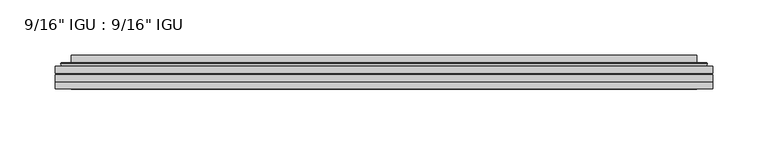
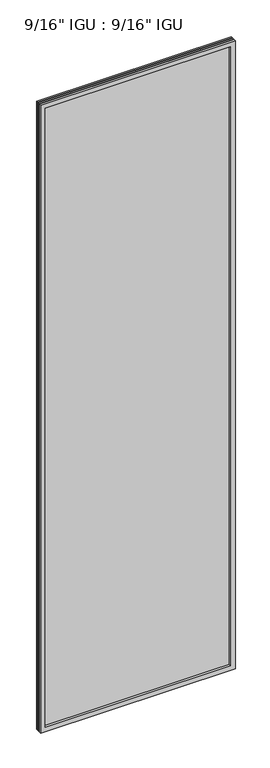
"""IFC4 building model written with IfcOpenShell, lengths in millimetres: plate geometry."""

import ifcopenshell
import ifcopenshell.guid

model = None  # the IFC model being written
_history = None  # IfcOwnerHistory: only IFC2X3 demands one
_inside = {}  # id of a spatial element -> (the spatial element, [elements in it])
_under = {}  # id of a project, library or spatial element -> (it, [spatial elements below it])
_declared = {}  # id of a project -> (the project, [libraries it declares])
_typed = {}  # id of a type object -> (the type object, [elements of that type])
_made_of = {}  # id of a material, layer set ... -> (it, [elements and type objects made of it])


def new_model(schema):
    """Start an empty IFC model of exactly this schema.

    Asked for "IFC4X3", IfcOpenShell would pick the latest addendum, in which some entities
    have other attributes; the version numbers below select the first issue.
    IFC2X3 requires an IfcOwnerHistory on every rooted entity: one is made here for all.
    """
    global model, _history
    if schema == "IFC4X3":
        model = ifcopenshell.file(schema_version=(4, 3, 0, 0))
    else:
        model = ifcopenshell.file(schema=schema)
    _inside.clear()
    _under.clear()
    _declared.clear()
    _typed.clear()
    _made_of.clear()
    _history = None
    if model.schema == "IFC2X3":
        org = make("IfcOrganization", Name="unknown")
        user = make(
            "IfcPersonAndOrganization",
            ThePerson=make("IfcPerson", FamilyName="unknown"),
            TheOrganization=org,
        )
        app = make(
            "IfcApplication",
            ApplicationDeveloper=org,
            Version="unknown",
            ApplicationFullName="unknown",
            ApplicationIdentifier="unknown",
        )
        _history = make(
            "IfcOwnerHistory",
            OwningUser=user,
            OwningApplication=app,
            ChangeAction="ADDED",
            CreationDate=0,
        )
    return model


def make(cls, **values):
    """One entity of the class cls with the attributes given. An attribute that is None is left unset."""
    return model.create_entity(
        cls, **{name: value for name, value in values.items() if value is not None}
    )


def rooted(cls, **values):
    """An entity with a GlobalId (a new one), such as an element, a storey or a relation."""
    return make(cls, GlobalId=ifcopenshell.guid.new(), OwnerHistory=_history, **values)


def si_unit(unit_type, name, prefix=None):
    """IfcSIUnit, for example si_unit("LENGTHUNIT", "METRE", prefix="MILLI")."""
    return make("IfcSIUnit", UnitType=unit_type, Prefix=prefix, Name=name)


def assignment(units):
    """IfcUnitAssignment: the units of a project."""
    return None if units is None else make("IfcUnitAssignment", Units=units)


def point(xyz):
    """IfcCartesianPoint."""
    return None if xyz is None else make("IfcCartesianPoint", Coordinates=xyz)


def direction(xyz):
    """IfcDirection."""
    return None if xyz is None else make("IfcDirection", DirectionRatios=xyz)


def frame(location, z_axis=None, x_axis=None):
    """IfcAxis2Placement3D, a coordinate frame: its origin and axes. An axis left out is left unset."""
    return make(
        "IfcAxis2Placement3D",
        Location=point(location),
        Axis=direction(z_axis),
        RefDirection=direction(x_axis),
    )


def origin():
    """The frame at (0, 0, 0) with its axes left unset."""
    return frame((0.0, 0.0, 0.0))


def place(relative_to, where):
    """IfcLocalPlacement: puts the frame where relative to a parent placement (None: the world)."""
    return make(
        "IfcLocalPlacement", PlacementRelTo=relative_to, RelativePlacement=where
    )


def context(
    kind, dimensions, precision=None, world=None, true_north=None, identifier=None
):
    """IfcGeometricRepresentationContext, for example the 3D "Model" context."""
    return make(
        "IfcGeometricRepresentationContext",
        ContextIdentifier=identifier,
        ContextType=kind,
        CoordinateSpaceDimension=dimensions,
        Precision=precision,
        WorldCoordinateSystem=world,
        TrueNorth=true_north,
    )


def project(units=None, contexts=None):
    """IfcProject with its units and contexts."""
    return rooted(
        "IfcProject",
        Name="project",
        RepresentationContexts=contexts,
        UnitsInContext=assignment(units),
    )


def spatial(cls, under=None, at=None, **own):
    """A site, building, storey or space (cls), placed at a placement, below another one or the project."""
    s = rooted(cls, ObjectPlacement=at, **own)
    if under is not None:
        _under.setdefault(under.id(), (under, []))[1].append(s)
    return s


def polyline(points):
    """IfcPolyline through the points."""
    return make("IfcPolyline", Points=[point(p) for p in points])


def ellipse_curve(where, semi_axis1, semi_axis2):
    """IfcEllipse in the frame where."""
    return make(
        "IfcEllipse", Position=where, SemiAxis1=semi_axis1, SemiAxis2=semi_axis2
    )


def outline(outer, holes=None, kind="AREA"):
    """IfcArbitraryClosedProfileDef: a profile drawn as a closed curve; with holes, ...WithVoids."""
    if holes is None:
        return make("IfcArbitraryClosedProfileDef", ProfileType=kind, OuterCurve=outer)
    return make(
        "IfcArbitraryProfileDefWithVoids",
        ProfileType=kind,
        OuterCurve=outer,
        InnerCurves=holes,
    )


def extrude(swept, where, along, depth):
    """IfcExtrudedAreaSolid: the profile swept, set in the frame where, extruded along a direction by depth."""
    return make(
        "IfcExtrudedAreaSolid",
        SweptArea=swept,
        Position=where,
        ExtrudedDirection=direction(along),
        Depth=depth,
    )


def faces_of(points, faces, orient=None, outer=None):
    """IfcFace entities. A face is a list of loops; a loop is a list of indices into points, from 0.

    orient and outer hold one flag for each loop. By default every Orientation is true, the
    first loop of a face is its IfcFaceOuterBound and the others are IfcFaceBound.
    """
    made = []
    for i, loops in enumerate(faces):
        bounds = []
        for j, loop in enumerate(loops):
            is_outer = j == 0 if outer is None else outer[i][j]
            bounds.append(
                make(
                    "IfcFaceOuterBound" if is_outer else "IfcFaceBound",
                    Bound=make("IfcPolyLoop", Polygon=[points[k] for k in loop]),
                    Orientation=True if orient is None else orient[i][j],
                )
            )
        made.append(make("IfcFace", Bounds=bounds))
    return made


def faceted_brep(points, faces, orient=None, outer=None, voids=None):
    """IfcFacetedBrep: a solid bounded by flat faces; with voids (closed shells), ...WithVoids."""
    shared = [point(p) for p in points]
    hull = make("IfcClosedShell", CfsFaces=faces_of(shared, faces, orient, outer))
    if voids is None:
        return make("IfcFacetedBrep", Outer=hull)
    return make(
        "IfcFacetedBrepWithVoids",
        Outer=hull,
        Voids=[
            make(cls, CfsFaces=faces_of(shared, fs, o, b)) for cls, fs, o, b in voids
        ],
    )


def shape(context_of_items, identifier, shape_type, items):
    """IfcShapeRepresentation: the items that make up one representation, for example the "Body"."""
    return make(
        "IfcShapeRepresentation",
        ContextOfItems=context_of_items,
        RepresentationIdentifier=identifier,
        RepresentationType=shape_type,
        Items=items,
    )


def source(mapping_origin, context_of_items, identifier, shape_type, items):
    """IfcRepresentationMap: a shape defined once, which mapped items show again and again."""
    return make(
        "IfcRepresentationMap",
        MappingOrigin=mapping_origin,
        MappedRepresentation=shape(context_of_items, identifier, shape_type, items),
    )


def transform(
    local_origin,
    x_axis=None,
    y_axis=None,
    z_axis=None,
    scale=None,
    scale2=None,
    scale3=None,
    uniform=True,
):
    """IfcCartesianTransformationOperator3D, or its non-uniform kind. x_axis, y_axis, z_axis: its Axis1, 2, 3."""
    if uniform:
        return make(
            "IfcCartesianTransformationOperator3D",
            Axis1=direction(x_axis),
            Axis2=direction(y_axis),
            LocalOrigin=point(local_origin),
            Scale=scale,
            Axis3=direction(z_axis),
        )
    return make(
        "IfcCartesianTransformationOperator3DnonUniform",
        Axis1=direction(x_axis),
        Axis2=direction(y_axis),
        LocalOrigin=point(local_origin),
        Scale=scale,
        Axis3=direction(z_axis),
        Scale2=scale2,
        Scale3=scale3,
    )


def mapped(mapping_source, mapping_target):
    """IfcMappedItem: shows the shape of a source again, moved by a transform."""
    return make(
        "IfcMappedItem", MappingSource=mapping_source, MappingTarget=mapping_target
    )


def made_of(thing, what):
    """Note that an element or type object is made of a material, layer set ...; save() writes the relation."""
    if what is not None:
        _made_of.setdefault(what.id(), (what, []))[1].append(thing)
    return thing


def element(
    cls,
    number,
    at=None,
    inside=None,
    cuts=None,
    type_object=None,
    material=None,
    context=None,
    identifier="Body",
    shape_type=None,
    held_by="IfcProductDefinitionShape",
    body=None,
    shapes=None,
    **own,
):
    """One element of the class cls, such as IfcWall. Its Tag is "e" and its number.

    at: its placement. inside: the storey or other place that contains it. cuts: it is an
    opening in that element (IfcRelVoidsElement). A single representation is given by context,
    identifier, shape_type and body (its items); several are given by shapes. held_by: the class
    of the entity that holds the representations. save() writes the other relations.
    """
    e = rooted(cls, Tag="e%d" % number, ObjectPlacement=at, **own)
    if body is not None:
        shapes = [shape(context, identifier, shape_type, body)]
    if shapes is not None:
        e.Representation = make(held_by, Representations=shapes)
    if inside is not None:
        _inside.setdefault(inside.id(), (inside, []))[1].append(e)
    if cuts is not None:
        rooted(
            "IfcRelVoidsElement", RelatingBuildingElement=cuts, RelatedOpeningElement=e
        )
    if type_object is not None:
        _typed.setdefault(type_object.id(), (type_object, []))[1].append(e)
    return made_of(e, material)


def aggregate(whole, parts):
    """IfcRelAggregates: a whole, such as a stair, and the parts it consists of."""
    return rooted("IfcRelAggregates", RelatingObject=whole, RelatedObjects=parts)


def save(model, path):
    """Write the relations noted so far, then the file.

    IfcRelAggregates (storeys below a building ...), IfcRelContainedInSpatialStructure (elements
    in a storey), IfcRelDefinesByType, IfcRelAssociatesMaterial and IfcRelDeclares: one each for
    every whole, place, type object, material and project.
    """
    for whole, parts in _under.values():
        aggregate(whole, parts)
    for where, things in _inside.values():
        rooted(
            "IfcRelContainedInSpatialStructure",
            RelatedElements=things,
            RelatingStructure=where,
        )
    for kind, things in _typed.values():
        rooted("IfcRelDefinesByType", RelatedObjects=things, RelatingType=kind)
    for what, things in _made_of.values():
        rooted("IfcRelAssociatesMaterial", RelatedObjects=things, RelatingMaterial=what)
    for by, libraries in _declared.values():
        rooted("IfcRelDeclares", RelatingContext=by, RelatedDefinitions=libraries)
    model.write(path)


def plane_surface(at):
    """IfcPlane: the flat surface through the origin of the frame at, square to its z axis."""
    return make("IfcPlane", Position=at)


def cylinder_surface(at, radius):
    """IfcCylindricalSurface: all points at the distance radius from the z axis of the frame at."""
    return make("IfcCylindricalSurface", Position=at, Radius=radius)


def advanced_brep(points, edges, surfaces, faces):
    """IfcAdvancedBrep: a solid bounded by faces that lie on surfaces and meet in shared edges.

    An edge is (start, end): straight between two places in points (the first is 0);
    or (start, end, curve); or (start, end, curve, False) where it runs against its curve.
    A face is (place in surfaces, loops), or (place, loops, False) where it looks against
    its surface's normal. A loop lists edges by number (the first is 1), with a minus sign
    where the edge is run from its end to its start. The first loop is the outer one.
    """
    corners = [point(p) for p in points]
    vertices = [make("IfcVertexPoint", VertexGeometry=c) for c in corners]
    made = []
    for start, end, *more in edges:
        made.append(
            make(
                "IfcEdgeCurve",
                EdgeStart=vertices[start],
                EdgeEnd=vertices[end],
                EdgeGeometry=more[0] if more else make("IfcPolyline", Points=[corners[start], corners[end]]),
                SameSense=more[1] if len(more) > 1 else True,
            )
        )
    hull = []
    for where, loops, *sense in faces:
        bounds = []
        for j, loop in enumerate(loops):
            ring = [make("IfcOrientedEdge", EdgeElement=made[abs(k) - 1], Orientation=k > 0) for k in loop]
            bounds.append(
                make(
                    "IfcFaceOuterBound" if j == 0 else "IfcFaceBound",
                    Bound=make("IfcEdgeLoop", EdgeList=ring),
                    Orientation=True,
                )
            )
        hull.append(make("IfcAdvancedFace", Bounds=bounds, FaceSurface=surfaces[where], SameSense=sense[0] if sense else True))
    return make("IfcAdvancedBrep", Outer=make("IfcClosedShell", CfsFaces=hull))


def plate_449217f2(model_context):
    return source(origin(), model_context, "Body", "SolidModel", [
        extrude(outline(polyline([(296.8980814, -54.78145), (296.8980814, -61.1317818), (-296.8839064, -61.1317818), (-296.8839064, -54.78145), (296.8980814, -54.78145)])), frame((0.0, 0.0, -14.2875), z_axis=(0.0, 0.0, 1.0), x_axis=(1.0, 0.0, 0.0)), (0.0, 0.0, 1.0), 2022.4787979),
        extrude(outline(polyline([(-296.8839064, -69.05625), (-296.8839064, -62.705745), (296.8980814, -62.705745), (296.8980814, -69.05625), (-296.8839064, -69.05625)])), frame((0.0, 0.0, -14.2875), z_axis=(0.0, 0.0, 1.0), x_axis=(1.0, 0.0, 0.0)), (0.0, 0.0, 1.0), 2022.4787979),
        faceted_brep([(-296.8966064, -75.40625, 2008.2002), (-296.8966064, -69.05625, 2008.2002), (-296.8966064, -69.05625, -14.3002), (-296.8966064, -75.40625, -14.3002), (296.8966064, -69.05625, -14.3002), (296.8966064, -75.40625, -14.3002), (296.8966064, -69.05625, 2008.2002), (296.8966064, -75.40625, 2008.2002), (-281.6986623, -69.05625, 0.8977441), (281.6986623, -69.05625, 0.8977441), (281.6986623, -69.05625, 1993.0022559), (-281.6986623, -69.05625, 1993.0022559), (-282.5910966, -75.40625, 1993.8946902), (282.5910966, -75.40625, 1993.8946902), (282.5910966, -75.40625, 0.0053098), (-282.5910966, -75.40625, 0.0053098)], [[[0, 1, 2, 3]], [[3, 2, 4, 5]], [[5, 4, 6, 7]], [[1, 6, 4, 2], [8, 9, 10, 11]], [[7, 6, 1, 0]], [[3, 5, 7, 0], [12, 13, 14, 15]], [[11, 12, 15, 8]], [[8, 15, 14, 9]], [[9, 14, 13, 10]], [[10, 13, 12, 11]]]),
        advanced_brep(
        [(-289.6426255, -54.78145, 2000.946219), (-291.9968308, -52.7917833, 2003.3004244), (-291.9968308, -52.7917833, -9.4004244), (-289.6426255, -54.78145, -7.046219), (-280.5683003, -50.941413, 1991.8718939), (-275.6334685, -54.78145, 1986.9370621), (-275.6334685, -54.78145, 6.9629379), (-280.5683003, -50.941413, 2.0281061), (-281.6003281, -45.5441819, 1992.9039217), (-281.6003281, -45.5441819, 0.9960783), (-282.5909849, -45.1452069, 1993.8945784), (-282.5909849, -45.1452069, 0.0054216), (-282.5909849, -51.60645, 1993.8945784), (-282.5909849, -51.60645, 0.0054216), (-290.9950413, -51.60645, 2002.2986349), (-290.9950413, -51.60645, -8.3986349), (291.9968308, -52.7917833, -9.4004244), (289.6426255, -54.78145, -7.046219), (275.6334685, -54.78145, 6.9629379), (280.5683003, -50.941413, 2.0281061), (281.6003281, -45.5441819, 0.9960783), (282.5909849, -45.1452069, 0.0054216), (282.5909849, -51.60645, 0.0054216), (290.9950413, -51.60645, -8.3986349), (291.9968308, -52.7917833, 2003.3004244), (289.6426255, -54.78145, 2000.946219), (275.6334685, -54.78145, 1986.9370621), (280.5683003, -50.941413, 1991.8718939), (281.6003281, -45.5441819, 1992.9039217), (282.5909849, -45.1452069, 1993.8945784), (282.5909849, -51.60645, 1993.8945784), (290.9950413, -51.60645, 2002.2986349)],
        [
            (0, 1, ellipse_curve(frame((-289.6426255, -52.39385, 2000.946219), z_axis=(-0.7071067811865475, 0.0, -0.7071067811865475), x_axis=(-0.7071067811865474, 0.0, 0.7071067811865476)), 3.3765763, 2.3876)),
            (1, 2),
            (2, 3, ellipse_curve(frame((-289.6426255, -52.39385, -7.046219), z_axis=(-0.7071067811865475, 0.0, 0.7071067811865475), x_axis=(0.7071067811865474, 0.0, 0.7071067811865476)), 3.3765763, 2.3876)),
            (3, 0),
            (4, 5),
            (5, 6),
            (6, 7),
            (7, 4),
            (8, 4),
            (7, 9),
            (9, 8),
            (10, 8, ellipse_curve(frame((-282.2240283, -45.6634423, 1993.5276219), z_axis=(-0.7071067811865475, 0.0, -0.7071067811865475), x_axis=(-0.7071067811865474, 0.0, 0.7071067811865476)), 0.8980256, 0.635)),
            (9, 11, ellipse_curve(frame((-282.2240283, -45.6634423, 0.3723781), z_axis=(-0.7071067811865475, 0.0, 0.7071067811865475), x_axis=(0.7071067811865474, 0.0, 0.7071067811865476)), 0.8980256, 0.635)),
            (11, 10),
            (12, 10),
            (11, 13),
            (13, 12),
            (1, 14, ellipse_curve(frame((-290.9950413, -52.62245, 2002.2986349), z_axis=(-0.7071067811865475, 0.0, -0.7071067811865475), x_axis=(-0.7071067811865474, 0.0, 0.7071067811865476)), 1.436841, 1.016)),
            (14, 15),
            (15, 2, ellipse_curve(frame((-290.9950413, -52.62245, -8.3986349), z_axis=(-0.7071067811865475, 0.0, 0.7071067811865475), x_axis=(0.7071067811865474, 0.0, 0.7071067811865476)), 1.436841, 1.016)),
            (2, 16),
            (16, 17, ellipse_curve(frame((289.6426255, -52.39385, -7.046219), z_axis=(-0.7071067811865475, 0.0, -0.7071067811865475), x_axis=(-0.7071067811865476, 0.0, 0.7071067811865474)), 3.3765763, 2.3876)),
            (17, 3),
            (6, 18),
            (18, 19),
            (19, 7),
            (19, 20),
            (20, 9),
            (20, 21, ellipse_curve(frame((282.2240283, -45.6634423, 0.3723781), z_axis=(-0.7071067811865475, 0.0, -0.7071067811865475), x_axis=(-0.7071067811865476, 0.0, 0.7071067811865474)), 0.8980256, 0.635)),
            (21, 11),
            (21, 22),
            (22, 13),
            (15, 23),
            (23, 16, ellipse_curve(frame((290.9950413, -52.62245, -8.3986349), z_axis=(-0.7071067811865475, 0.0, -0.7071067811865475), x_axis=(-0.7071067811865476, 0.0, 0.7071067811865474)), 1.436841, 1.016)),
            (16, 24),
            (24, 25, ellipse_curve(frame((289.6426255, -52.39385, 2000.946219), z_axis=(0.7071067811865475, 0.0, -0.7071067811865475), x_axis=(-0.7071067811865474, 0.0, -0.7071067811865476)), 3.3765763, 2.3876)),
            (25, 17),
            (18, 26),
            (26, 27),
            (27, 19),
            (27, 28),
            (28, 20),
            (28, 29, ellipse_curve(frame((282.2240283, -45.6634423, 1993.5276219), z_axis=(0.7071067811865475, 0.0, -0.7071067811865475), x_axis=(-0.7071067811865474, 0.0, -0.7071067811865476)), 0.8980256, 0.635)),
            (29, 21),
            (29, 30),
            (30, 22),
            (23, 31),
            (31, 24, ellipse_curve(frame((290.9950413, -52.62245, 2002.2986349), z_axis=(0.7071067811865475, 0.0, -0.7071067811865475), x_axis=(-0.7071067811865474, 0.0, -0.7071067811865476)), 1.436841, 1.016)),
            (24, 1),
            (0, 25),
            (5, 26),
            (4, 27),
            (8, 28),
            (10, 29),
            (12, 30),
            (14, 31),
        ],
        [
            cylinder_surface(frame((-289.6426255, -52.39385, 2025.65), z_axis=(0.0, 0.0, 1.0), x_axis=(-1.0, 0.0, 0.0)), 2.3876),
            plane_surface(frame((-275.6334685, -54.78145, 1986.9370621), z_axis=(0.6141233906514794, 0.7892100234124821, 0.0), x_axis=(0.0, 0.0, -1.0))),
            plane_surface(frame((-280.5683003, -50.941413, 1991.8718939), z_axis=(0.9822050625507728, 0.18781164793386088, 0.0), x_axis=(0.0, 0.0, -1.0))),
            cylinder_surface(frame((-282.2240283, -45.6634423, 2025.65), z_axis=(0.0, 0.0, 1.0), x_axis=(-1.0, 0.0, 0.0)), 0.635),
            plane_surface(frame((-282.5909849, -45.1452069, 1993.8945784), z_axis=(-1.0, 0.0, 0.0), x_axis=(0.0, 0.0, -1.0))),
            cylinder_surface(frame((-290.9950413, -52.62245, 2025.65), z_axis=(0.0, 0.0, 1.0), x_axis=(-1.0, 0.0, 0.0)), 1.016),
            cylinder_surface(frame((-314.3464064, -52.39385, -7.046219), z_axis=(-1.0, 0.0, 0.0), x_axis=(0.0, 0.0, -1.0)), 2.3876),
            plane_surface(frame((-275.6334685, -54.78145, 6.9629379), z_axis=(0.0, 0.7892100234124841, 0.6141233906514768), x_axis=(1.0, 0.0, 0.0))),
            plane_surface(frame((-280.5683003, -50.941413, 2.0281061), z_axis=(0.0, 0.18781164793386404, 0.9822050625507722), x_axis=(1.0, 0.0, 0.0))),
            cylinder_surface(frame((-314.3464064, -45.6634423, 0.3723781), z_axis=(-1.0, 0.0, 0.0), x_axis=(0.0, 0.0, -1.0)), 0.635),
            plane_surface(frame((-282.5909849, -45.1452069, 0.0054216), z_axis=(0.0, 0.0, -1.0), x_axis=(1.0, 0.0, 0.0))),
            cylinder_surface(frame((-314.3464064, -52.62245, -8.3986349), z_axis=(-1.0, 0.0, 0.0), x_axis=(0.0, 0.0, -1.0)), 1.016),
            cylinder_surface(frame((289.6426255, -52.39385, -31.75), z_axis=(0.0, 0.0, -1.0), x_axis=(1.0, 0.0, 0.0)), 2.3876),
            plane_surface(frame((275.6334685, -54.78145, 6.9629379), z_axis=(-0.6141233906514743, 0.7892100234124861, 0.0), x_axis=(0.0, 0.0, 1.0))),
            plane_surface(frame((280.5683003, -50.941413, 2.0281061), z_axis=(-0.9822050625507717, 0.1878116479338672, 0.0), x_axis=(0.0, 0.0, 1.0))),
            cylinder_surface(frame((282.2240283, -45.6634423, -31.75), z_axis=(0.0, 0.0, -1.0), x_axis=(1.0, 0.0, 0.0)), 0.635),
            plane_surface(frame((282.5909849, -45.1452069, 0.0054216), z_axis=(1.0, 0.0, 0.0), x_axis=(0.0, 0.0, 1.0))),
            cylinder_surface(frame((290.9950413, -52.62245, -31.75), z_axis=(0.0, 0.0, -1.0), x_axis=(1.0, 0.0, 0.0)), 1.016),
            cylinder_surface(frame((314.3464064, -52.39385, 2000.946219), z_axis=(1.0, 0.0, 0.0), x_axis=(0.0, 0.0, 1.0)), 2.3876),
            plane_surface(frame((289.6426255, -54.78145, 2000.946219), z_axis=(0.0, -1.0, 0.0), x_axis=(-1.0, 0.0, 0.0))),
            plane_surface(frame((275.6334685, -54.78145, 1986.9370621), z_axis=(0.0, 0.7892100234124841, -0.6141233906514768), x_axis=(-1.0, 0.0, 0.0))),
            plane_surface(frame((280.5683003, -50.941413, 1991.8718939), z_axis=(0.0, 0.18781164793386404, -0.9822050625507722), x_axis=(-1.0, 0.0, 0.0))),
            cylinder_surface(frame((314.3464064, -45.6634423, 1993.5276219), z_axis=(1.0, 0.0, 0.0), x_axis=(0.0, 0.0, 1.0)), 0.635),
            plane_surface(frame((282.5909849, -45.1452069, 1993.8945784), z_axis=(0.0, 0.0, 1.0), x_axis=(-1.0, 0.0, 0.0))),
            plane_surface(frame((282.5909849, -51.60645, 1993.8945784), z_axis=(0.0, 1.0, 0.0), x_axis=(-1.0, 0.0, 0.0))),
            cylinder_surface(frame((314.3464064, -52.62245, 2002.2986349), z_axis=(1.0, 0.0, 0.0), x_axis=(0.0, 0.0, 1.0)), 1.016),
        ],
        [
            (0, [[1, 2, 3, 4]]),
            (1, [[5, 6, 7, 8]]),
            (2, [[9, -8, 10, 11]]),
            (3, [[12, -11, 13, 14]]),
            (4, [[15, -14, 16, 17]]),
            (5, [[18, 19, 20, -2]]),
            (6, [[-3, 21, 22, 23]]),
            (7, [[-7, 24, 25, 26]]),
            (8, [[-10, -26, 27, 28]]),
            (9, [[-13, -28, 29, 30]]),
            (10, [[-16, -30, 31, 32]]),
            (11, [[-20, 33, 34, -21]]),
            (12, [[-22, 35, 36, 37]]),
            (13, [[-25, 38, 39, 40]]),
            (14, [[-27, -40, 41, 42]]),
            (15, [[-29, -42, 43, 44]]),
            (16, [[-31, -44, 45, 46]]),
            (17, [[-34, 47, 48, -35]]),
            (18, [[-36, 49, -1, 50]]),
            (19, [[-23, -37, -50, -4], [51, -38, -24, -6]]),
            (20, [[-39, -51, -5, 52]]),
            (21, [[-41, -52, -9, 53]]),
            (22, [[-43, -53, -12, 54]]),
            (23, [[-45, -54, -15, 55]]),
            (24, [[56, -47, -33, -19], [-32, -46, -55, -17]]),
            (25, [[-48, -56, -18, -49]]),
        ],
    ),
    ])


if __name__ == "__main__":
    model = new_model("IFC4")
    model_context = context("Model", 3, world=origin())
    ifc_project = project(units=[si_unit("LENGTHUNIT", "METRE", prefix="MILLI")], contexts=[model_context])
    site = spatial("IfcSite", under=ifc_project)
    building = spatial("IfcBuilding", under=site)
    placement = place(None, origin())
    plate_shape = plate_449217f2(model_context)
    element("IfcPlate", 1, ObjectType="9/16\" IGU : 9/16\" IGU", at=placement, inside=building, context=model_context, shape_type="MappedRepresentation", body=[
        mapped(plate_shape, transform((0.0, 0.0, 0.0), x_axis=(1.0, 0.0, 0.0), y_axis=(0.0, 1.0, 0.0), z_axis=(0.0, 0.0, 1.0))),
    ])
    save(model, "model.ifc")
